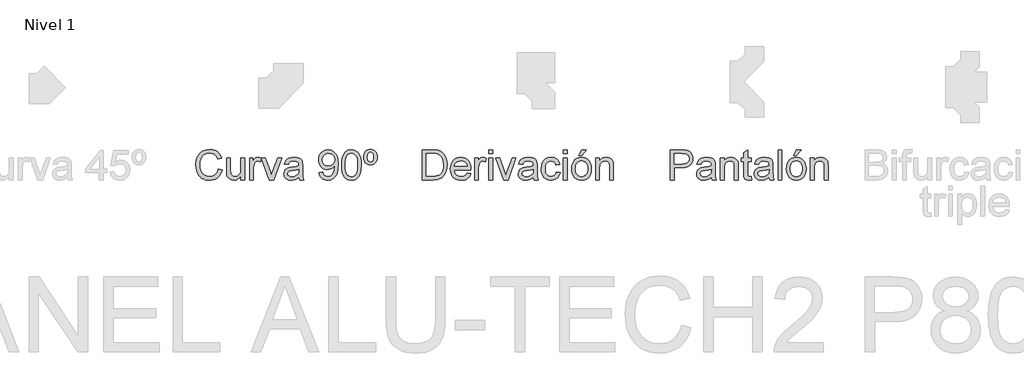
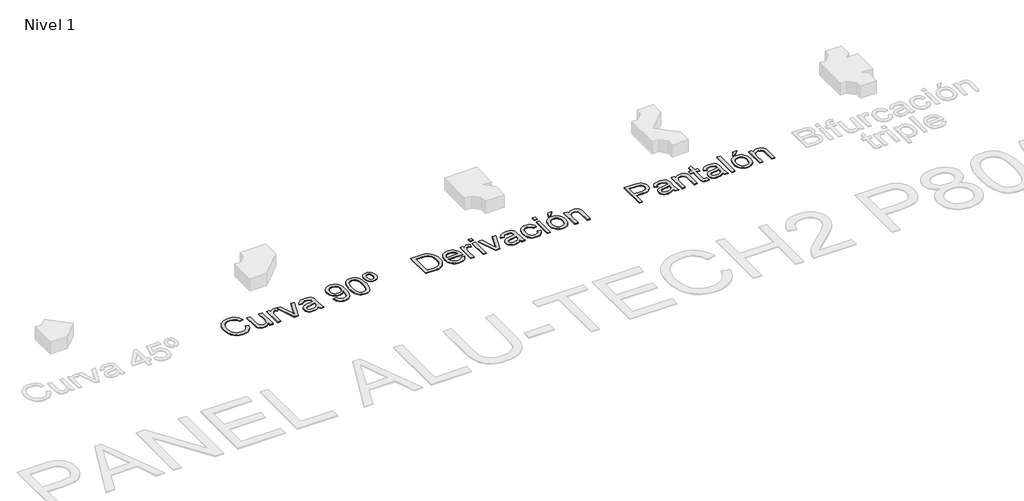
# One storey, part 4 of 7: 3 proxies.
"""IFC4 building model written with IfcOpenShell, lengths in millimetres."""

from ifc_helpers import new_model, si_unit, origin, origin_with_axes, place, context, project, spatial, polyline, outline, extrude, element, save

model = new_model("IFC4")

# Units and contexts
model_context = context("Model", 3, world=origin())
ifc_project = project(units=[si_unit("LENGTHUNIT", "METRE", prefix="MILLI")], contexts=[model_context])

# Site, building, storey
site = spatial("IfcSite", under=ifc_project)
building = spatial("IfcBuilding", under=site)
storey = spatial("IfcBuildingStorey", under=building, Name="Nivel 1", Elevation=0.0)

# Proxies
placement = place(None, origin())
element("IfcBuildingElementProxy", 1, Name="Texto de modelo 1", ObjectType="Texto de modelo 1", at=placement, inside=storey, context=model_context, shape_type="SweptSolid", body=[
    extrude(outline(polyline([(-7962.0094574, -873.4884877), (-7911.7813023, -886.4379339), (-7921.7202475, -917.674181), (-7934.957868, -944.9679594), (-7951.4941637, -968.319269), (-7971.3291346, -987.7281099), (-7994.0151909, -1002.9860157), (-8019.104743, -1013.8845198), (-8046.5977908, -1020.4236223), (-8076.4943343, -1022.6033231), (-8107.123576, -1020.9539855), (-8134.7545796, -1016.0059726), (-8159.3873448, -1007.7592846), (-8181.0218718, -996.2139213), (-8199.9555318, -981.5415611), (-8216.4856962, -963.9138821), (-8230.6123648, -943.3308845), (-8242.3355377, -919.7925682), (-8258.1176753, -867.9212068), (-8263.3783878, -812.3710256), (-8257.4309622, -753.7796865), (-8249.9966802, -727.4822552), (-8239.5886855, -703.1836494), (-8226.4399698, -681.2854736), (-8210.7835252, -662.1893324), (-8192.6193517, -645.8952257), (-8171.9474493, -632.4031535), (-8149.4698594, -621.8234805), (-8125.8886235, -614.2665712), (-8075.4152137, -608.2210437), (-8046.6866956, -610.1769497), (-8020.3432791, -616.0446675), (-7996.3849641, -625.8241972), (-7974.8117508, -639.5155388), (-7955.9792583, -656.7569416), (-7940.243106, -677.1866551), (-7927.6032938, -700.8046792), (-7918.0598217, -727.6110139), (-7968.2879767, -739.5794415), (-7985.7010579, -702.9506575), (-8009.4907602, -677.8243172), (-8039.9513894, -663.2929784), (-8077.377251, -658.4491988), (-8120.5175463, -663.8202759), (-8139.1998203, -670.5341223), (-8155.9568452, -679.9335073), (-8182.8490191, -705.0966358), (-8200.3479393, -737.6174041), (-8209.9496594, -774.3810782), (-8213.1502327, -812.2729237), (-8209.3610482, -858.675106), (-8197.9934945, -898.798769), (-8178.6183761, -931.1110709), (-8150.8064973, -954.0791701), (-8117.4641258, -967.8011685), (-8081.4975294, -972.375168), (-8059.6606673, -970.8178009), (-8039.5712447, -966.1456996), (-8021.2292615, -958.358864), (-8004.6347179, -947.4572942), (-7990.1800211, -933.4900411), (-7978.2575788, -916.5061557), (-7968.8673909, -896.5056379), (-7962.0094574, -873.4884877)])), origin_with_axes(), (0.0, 0.0, 1.0), 10.0),
    extrude(outline(polyline([(-7660.6405269, -1016.3248037), (-7660.6405269, -965.6061393), (-7678.8138975, -990.5424072), (-7699.9793749, -1008.3540271), (-7724.1369593, -1019.0409991), (-7751.2866505, -1022.6033231), (-7775.7508032, -1020.1017255), (-7798.5226987, -1012.5969328), (-7817.628037, -1001.3152183), (-7831.092518, -987.4828553), (-7840.1546778, -970.6829108), (-7846.0530525, -950.498452), (-7848.9961084, -903.8019641), (-7848.9961084, -721.2343926), (-7798.7679534, -721.2343926), (-7798.7679534, -880.1594145), (-7795.7267955, -931.3685883), (-7788.4059438, -948.4505756), (-7775.8611678, -961.43681), (-7758.9263333, -969.6405785), (-7738.4353062, -972.375168), (-7716.7670566, -969.5792648), (-7696.4967587, -961.1915554), (-7679.7826534, -947.9845917), (-7668.7829817, -930.7309262), (-7662.6761406, -907.1006393), (-7660.6405269, -874.763812), (-7660.6405269, -721.2343926), (-7610.4123718, -721.2343926), (-7610.4123718, -1016.3248037), (-7660.6405269, -1016.3248037)])), origin_with_axes(), (0.0, 0.0, 1.0), 10.0),
    extrude(outline(polyline([(-7280.5939004, -1016.3248037), (-7384.385674, -721.2343926), (-7331.214463, -721.2343926), (-7268.3311673, -898.013954), (-7249.3975072, -957.4636845), (-7230.8562547, -901.3494175), (-7167.5805515, -721.2343926), (-7114.4093405, -721.2343926), (-7216.9257898, -1016.3248037), (-7280.5939004, -1016.3248037)])), origin_with_axes(), (0.0, 0.0, 1.0), 10.0),
    extrude(outline(polyline([(-7541.3486586, -1016.3248037), (-7541.3486586, -721.2343926), (-7497.3990229, -721.2343926), (-7497.3990229, -764.8897227), (-7481.1631642, -739.5794415), (-7466.2026297, -724.6679579), (-7451.1930443, -717.3838944), (-7434.8100328, -714.9558732), (-7409.7940571, -718.8308969), (-7384.385674, -730.455968), (-7401.161093, -775.4847242), (-7418.8194287, -767.7592023), (-7436.4777645, -765.1840283), (-7451.4750872, -767.6611004), (-7464.8782545, -775.0923167), (-7475.7062479, -786.9135915), (-7482.9780487, -802.560839), (-7489.0848898, -830.6179725), (-7491.1205035, -861.2257545), (-7491.1205035, -1016.3248037), (-7541.3486586, -1016.3248037)])), origin_with_axes(), (0.0, 0.0, 1.0), 10.0),
    extrude(outline(polyline([(-6882.1041233, -978.6536874), (-6906.1022921, -999.2305537), (-6930.8116994, -1012.6950347), (-6956.796431, -1020.126251), (-6984.6205726, -1022.6033231), (-7006.9847322, -1021.113401), (-7026.5959082, -1016.6436348), (-7043.4541007, -1009.1940244), (-7057.5593095, -998.7645698), (-7068.6969369, -986.0174587), (-7076.652385, -971.6148785), (-7081.4256539, -955.5568295), (-7083.0167436, -937.8433114), (-7080.6132478, -917.0211905), (-7073.4027607, -898.1120559), (-7062.2804618, -881.9252481), (-7048.1415304, -869.2701075), (-7031.525527, -859.7051756), (-7012.9720117, -852.7889941), (-6969.5128853, -845.2351505), (-6918.1565588, -837.2888994), (-6882.3984288, -827.9692222), (-6882.1041233, -816.7856095), (-6885.562214, -794.3693333), (-6895.9364863, -779.7031044), (-6919.1375774, -768.8137973), (-6951.4621421, -765.1840283), (-6981.383211, -767.5997868), (-7002.2789083, -774.8470621), (-7016.5282043, -788.2502294), (-7026.5100691, -809.133664), (-7076.7382242, -802.8551446), (-7068.0194209, -775.3866223), (-7055.008661, -753.8042119), (-7036.4919339, -737.2985731), (-7011.255229, -725.0603654), (-6980.3899296, -717.4819963), (-6944.987419, -714.9558732), (-6911.0319108, -717.1876907), (-6884.1152115, -723.883143), (-6863.8203881, -733.9508469), (-6849.7305077, -746.2994192), (-6840.386305, -761.566522), (-6834.3285148, -780.3898175), (-6831.8759682, -824.3394531), (-6831.8759682, -886.8303414), (-6829.3253197, -974.0919506), (-6819.3189294, -1016.3248037), (-6869.5470845, -1016.3248037), (-6877.5914374, -998.8626717), (-6882.1041233, -978.6536874)]), holes=[polyline([(-6882.1041233, -878.1973772), (-6915.8511649, -886.5605613), (-6963.1362641, -893.5993701), (-7006.3501358, -901.7418249), (-7017.5950621, -907.3091058), (-7025.9214579, -914.9855768), (-7031.0718058, -924.1826266), (-7032.7885885, -934.3116442), (-7029.0484549, -949.2476532), (-7017.828054, -961.4858609), (-6999.3726406, -969.6528412), (-6973.9274692, -972.375168), (-6946.9494563, -969.3707984), (-6923.110703, -960.3576895), (-6903.7846355, -947.0771495), (-6890.3446799, -931.2704864), (-6884.3849916, -914.9855768), (-6882.3984288, -892.4221477), (-6882.1041233, -878.1973772)])]), origin_with_axes(), (0.0, 0.0, 1.0), 10.0),
    extrude(outline(polyline([(-6612.1277897, -915.8684935), (-6561.8996347, -909.5899742), (-6553.3157214, -938.1008288), (-6539.3362056, -957.5127354), (-6520.3044437, -968.6595599), (-6496.5637923, -972.375168), (-6475.2634248, -969.983935), (-6455.9005691, -962.8102361), (-6439.8118632, -951.6388862), (-6428.3339449, -937.2547002), (-6411.9018825, -893.5993701), (-6406.457229, -865.1988801), (-6404.6423444, -835.3268621), (-6404.93665, -825.5166755), (-6422.3374684, -846.7557294), (-6445.1093639, -863.5801993), (-6471.6091303, -874.5430828), (-6500.1935613, -878.1973772), (-6524.0537744, -875.9655598), (-6545.9948697, -869.2701075), (-6566.0168473, -858.1110203), (-6584.1197072, -842.4882982), (-6599.1200955, -823.2174131), (-6609.8346586, -801.1138365), (-6616.2633965, -776.1775686), (-6618.4063091, -748.4086093), (-6616.1591633, -719.7138137), (-6609.4177257, -693.9620741), (-6598.1819964, -671.1533904), (-6582.4519754, -651.2877626), (-6563.3374401, -635.1929253), (-6541.9481678, -623.696613), (-6518.2841584, -616.7988256), (-6492.3454121, -614.4995631), (-6454.8827623, -619.7480129), (-6420.7801013, -635.4933623), (-6392.2569839, -660.9507964), (-6371.5329649, -695.3355002), (-6358.9146124, -742.8658539), (-6354.708495, -807.7602379), (-6358.9023497, -876.5664337), (-6371.4839139, -929.7499075), (-6392.3428231, -969.7141549), (-6405.8348952, -985.6403796), (-6421.3687125, -998.8626717), (-6438.6315751, -1009.2492067), (-6457.3107834, -1016.6681602), (-6498.9182371, -1022.6033231), (-6521.4755347, -1020.8528179), (-6541.8623286, -1015.6013024), (-6560.0786188, -1006.8487766), (-6576.1244051, -994.5952405), (-6589.5950175, -979.1717879), (-6600.0857857, -960.9095125), (-6607.5967098, -939.8084144), (-6612.1277897, -915.8684935)]), holes=[polyline([(-6404.93665, -747.231387), (-6410.3567781, -713.1900397), (-6417.1319382, -699.112422), (-6426.6171623, -686.9968416), (-6438.3464666, -677.2541001), (-6451.8538672, -670.294999), (-6484.2029573, -664.7277182), (-6501.8122421, -666.2268373), (-6517.7537952, -670.7241947), (-6532.0276166, -678.2197903), (-6544.6337063, -688.7136243), (-6554.9344022, -701.5925598), (-6562.2920421, -716.2434602), (-6566.7066261, -732.6663256), (-6568.178154, -750.861156), (-6562.6108732, -781.8981336), (-6555.6517721, -795.0161924), (-6545.9090306, -806.5339646), (-6533.7873189, -815.9118898), (-6519.6913071, -822.6104078), (-6485.5763834, -827.9692222), (-6453.4848107, -822.6104078), (-6427.6472319, -806.5339646), (-6417.7113523, -794.7893319), (-6410.6142955, -780.9906914), (-6404.93665, -747.231387)])]), origin_with_axes(), (0.0, 0.0, 1.0), 10.0),
    extrude(outline(polyline([(-6310.7588593, -818.649545), (-6307.0677766, -754.3315095), (-6295.9945285, -703.0364966), (-6277.6494797, -663.9796914), (-6265.7914167, -648.7463112), (-6252.1429947, -636.3762791), (-6236.6582284, -626.8052158), (-6219.2911325, -619.9687421), (-6178.9099522, -614.4995631), (-6147.9588137, -617.7369247), (-6120.2450367, -627.4490093), (-6097.068471, -643.2556724), (-6079.7289663, -664.7767691), (-6066.6323673, -691.8283585), (-6056.1845186, -724.2264995), (-6049.3419135, -765.3679693), (-6047.0610451, -818.649545), (-6050.7153396, -882.5996984), (-6061.6782231, -933.772084), (-6079.9129073, -972.8656773), (-6091.7433791, -988.1450429), (-6105.3826041, -1000.5794543), (-6120.8857645, -1010.2148969), (-6138.3080427, -1017.0973559), (-6178.9099522, -1022.6033231), (-6206.5746782, -1020.2120901), (-6231.1001446, -1013.0383912), (-6252.4863512, -1001.0822264), (-6270.7332982, -984.3435956), (-6288.2444812, -954.0853015), (-6300.752469, -916.3835283), (-6308.2572617, -871.2382762), (-6310.7588593, -818.649545)]), holes=[polyline([(-6260.5307042, -818.5514431), (-6259.0591762, -862.2159702), (-6254.6445923, -897.5602329), (-6247.2869524, -924.5842311), (-6236.9862565, -943.2879649), (-6224.5273196, -956.0136163), (-6210.6949566, -965.1033672), (-6195.4891675, -970.5572178), (-6178.9099522, -972.375168), (-6162.330737, -970.5510864), (-6147.1249478, -965.0788418), (-6133.2925848, -955.958434), (-6120.8336479, -943.1898631), (-6110.532952, -924.4554724), (-6103.1753121, -897.4376056), (-6098.7607282, -862.1362625), (-6097.2892002, -818.5514431), (-6098.7116773, -776.0426785), (-6102.9791084, -741.3207496), (-6110.0914936, -714.3856562), (-6120.048833, -695.2373983), (-6132.2993034, -681.8894132), (-6146.291082, -672.3551382), (-6162.0241686, -666.6345732), (-6179.4985634, -664.7277182), (-6195.9919395, -666.4077126), (-6210.9402113, -671.4476959), (-6224.3433786, -679.8476682), (-6236.2014416, -691.6076293), (-6246.845494, -712.4542757), (-6254.4483885, -740.5604601), (-6259.0101253, -775.9261826), (-6260.5307042, -818.5514431)])]), origin_with_axes(), (0.0, 0.0, 1.0), 10.0),
    extrude(outline(polyline([(-5924.6299171, -608.2210437), (-5905.4448711, -609.9439577), (-5888.1114978, -615.1126998), (-5872.6297971, -623.7272698), (-5858.9997692, -635.7876679), (-5847.8836016, -650.8830924), (-5839.9434818, -668.6027419), (-5835.17941, -688.9466162), (-5833.5913861, -711.9147154), (-5835.1886071, -734.7969755), (-5839.98027, -755.0795362), (-5847.966375, -772.7623974), (-5859.146922, -787.8455592), (-5872.8045411, -799.9059573), (-5888.2218623, -808.5205274), (-5905.3988858, -813.6892694), (-5924.3356115, -815.4121834), (-5943.5298546, -813.7229919), (-5960.8908191, -808.6554174), (-5976.418505, -800.2094599), (-5990.1129123, -788.3851195), (-6001.2934593, -773.5441467), (-6009.2795642, -756.0482921), (-6014.0712272, -735.8975558), (-6015.6684482, -713.0919378), (-6014.0804243, -689.6088038), (-6009.3163524, -668.8970474), (-6001.3762327, -650.9566688), (-5990.2600651, -635.7876679), (-5976.6300372, -623.7272698), (-5961.1483365, -615.1126998), (-5943.8149632, -609.9439577), (-5924.6299171, -608.2210437)]), holes=[polyline([(-5924.6299171, -645.89216), (-5941.1968697, -649.754921), (-5954.2076296, -661.3432038), (-5962.6321272, -681.6870781), (-5965.4402931, -711.8166136), (-5962.5830763, -741.394326), (-5954.0114258, -761.8485649), (-5940.951615, -773.7679415), (-5924.6299171, -777.7410671), (-5908.185592, -773.7679415), (-5895.1503066, -761.8485649), (-5886.6522325, -741.0509694), (-5883.8195411, -710.4431874), (-5886.676758, -681.7116036), (-5895.2484085, -661.6375094), (-5908.3082193, -649.8284974), (-5924.6299171, -645.89216)])]), origin_with_axes(), (0.0, 0.0, 1.0), 10.0),
])
element("IfcBuildingElementProxy", 2, Name="Texto de modelo 1", ObjectType="Texto de modelo 1", at=placement, inside=storey, context=model_context, shape_type="SweptSolid", body=[
    extrude(outline(polyline([(-5229.3028413, -1016.3248037), (-5229.3028413, -614.4995631), (-5090.6849056, -614.4995631), (-5049.2613929, -615.9465656), (-5018.972442, -620.2875732), (-4986.9421829, -631.4466603), (-4959.915119, -649.0314197), (-4932.1277656, -679.6392017), (-4912.3357143, -717.7027255), (-4900.4899141, -762.486227), (-4896.541314, -813.2539424), (-4899.2145898, -856.3819749), (-4907.2344173, -894.3351341), (-4919.4480995, -926.647436), (-4934.7029396, -952.8528968), (-4952.2631735, -973.5401277), (-4971.3930373, -989.2977398), (-4993.3555924, -1000.9841245), (-5019.4139004, -1009.4576731), (-5049.6170122, -1014.6080211), (-5084.0139787, -1016.3248037), (-5229.3028413, -1016.3248037)]), holes=[polyline([(-5179.0746863, -966.0966486), (-5090.1943962, -966.0966486), (-5053.4307222, -964.2817641), (-5025.5452669, -958.8371106), (-5004.5024168, -950.0815191), (-4988.2665581, -938.3338207), (-4970.8166888, -916.5919948), (-4957.707827, -888.4490222), (-4949.5040585, -853.7822755), (-4946.769469, -812.4691274), (-4952.1282834, -757.7282866), (-4958.8268014, -735.7289432), (-4968.2047266, -717.310318), (-4991.9576408, -689.5474901), (-5020.3458681, -672.7720711), (-5049.2368674, -666.7388064), (-5091.5678224, -664.7277182), (-5179.0746863, -664.7277182), (-5179.0746863, -966.0966486)])]), origin_with_axes(), (0.0, 0.0, 1.0), 10.0),
    extrude(outline(polyline([(-4627.1535916, -928.4255323), (-4577.9064552, -934.7040517), (-4585.4572332, -954.428658), (-4595.6506301, -971.8110823), (-4608.4866461, -986.8513245), (-4623.965281, -999.5493847), (-4641.9271194, -1009.6354827), (-4662.2127458, -1016.8398385), (-4709.7553623, -1022.6033231), (-4740.9210986, -1020.1170539), (-4768.6900579, -1012.6582465), (-4793.0622401, -1000.2269007), (-4814.0376452, -982.8230167), (-4830.9050347, -960.9309723), (-4842.95317, -935.0351455), (-4850.1820512, -905.1355363), (-4852.5916783, -871.2321448), (-4850.1575257, -836.179122), (-4842.8550681, -805.2831658), (-4830.6843055, -778.5442761), (-4813.6452377, -755.962453), (-4792.7250149, -738.0220743), (-4768.9107871, -725.2075182), (-4742.2025543, -717.5187845), (-4712.6003164, -714.9558732), (-4683.951506, -717.5126531), (-4658.0434165, -725.1829927), (-4634.8760479, -737.966892), (-4614.4494001, -755.8643511), (-4597.7751486, -778.3971233), (-4585.864969, -805.0869621), (-4578.7188613, -835.9338674), (-4576.3368254, -870.9378392), (-4576.631131, -884.4758966), (-4802.3635232, -884.4758966), (-4799.4541898, -904.519334), (-4793.6692454, -922.0734365), (-4785.0086901, -937.1382042), (-4773.4725239, -949.7136371), (-4759.6984088, -959.6280569), (-4744.3240071, -966.7097853), (-4708.7743436, -972.375168), (-4682.0415853, -969.7509431), (-4659.5272072, -961.8782684), (-4641.2312093, -948.2666346), (-4627.1535916, -928.4255323)]), holes=[polyline([(-4802.3635232, -834.2477415), (-4626.5649804, -834.2477415), (-4633.3585346, -807.711187), (-4646.6758629, -788.728476), (-4660.3733358, -778.4277801), (-4675.9592697, -771.0701402), (-4693.4336644, -766.6555563), (-4712.7965201, -765.1840283), (-4746.6539264, -769.8806551), (-4774.6497462, -783.9705355), (-4794.1107038, -805.9330907), (-4802.3635232, -834.2477415)])]), origin_with_axes(), (0.0, 0.0, 1.0), 10.0),
    extrude(outline(polyline([(-4526.1086703, -1016.3248037), (-4526.1086703, -721.2343926), (-4482.1590346, -721.2343926), (-4482.1590346, -764.8897227), (-4465.9231759, -739.5794415), (-4450.9626414, -724.6679579), (-4435.953056, -717.3838944), (-4419.5700445, -714.9558732), (-4394.5540688, -718.8308969), (-4369.1456857, -730.455968), (-4385.9211047, -775.4847242), (-4403.5794404, -767.7592023), (-4421.2377762, -765.1840283), (-4436.2350989, -767.6611004), (-4449.6382662, -775.0923167), (-4460.4662596, -786.9135915), (-4467.7380604, -802.560839), (-4473.8449015, -830.6179725), (-4475.8805152, -861.2257545), (-4475.8805152, -1016.3248037), (-4526.1086703, -1016.3248037)])), origin_with_axes(), (0.0, 0.0, 1.0), 10.0),
    extrude(outline(polyline([(-4337.7530888, -664.7277182), (-4337.7530888, -614.4995631), (-4287.5249337, -614.4995631), (-4287.5249337, -664.7277182), (-4337.7530888, -664.7277182)])), origin_with_axes(), (0.0, 0.0, 1.0), 10.0),
    extrude(outline(polyline([(-4337.7530888, -1016.3248037), (-4337.7530888, -721.2343926), (-4287.5249337, -721.2343926), (-4287.5249337, -1016.3248037), (-4337.7530888, -1016.3248037)])), origin_with_axes(), (0.0, 0.0, 1.0), 10.0),
    extrude(outline(polyline([(-4139.7835244, -1016.3248037), (-4243.575298, -721.2343926), (-4190.404087, -721.2343926), (-4127.5207913, -898.013954), (-4108.5871312, -957.4636845), (-4090.0458787, -901.3494175), (-4026.7701755, -721.2343926), (-3973.5989645, -721.2343926), (-4076.1154138, -1016.3248037), (-4139.7835244, -1016.3248037)])), origin_with_axes(), (0.0, 0.0, 1.0), 10.0),
    extrude(outline(polyline([(-3741.2937473, -978.6536874), (-3765.2919161, -999.2305537), (-3790.0013234, -1012.6950347), (-3815.986055, -1020.126251), (-3843.8101966, -1022.6033231), (-3866.1743562, -1021.113401), (-3885.7855322, -1016.6436348), (-3902.6437247, -1009.1940244), (-3916.7489335, -998.7645698), (-3927.8865609, -986.0174587), (-3935.842009, -971.6148785), (-3940.6152779, -955.5568295), (-3942.2063676, -937.8433114), (-3939.8028719, -917.0211905), (-3932.5923847, -898.1120559), (-3921.4700858, -881.9252481), (-3907.3311544, -869.2701075), (-3890.715151, -859.7051756), (-3872.1616357, -852.7889941), (-3828.7025093, -845.2351505), (-3777.3461828, -837.2888994), (-3741.5880529, -827.9692222), (-3741.2937473, -816.7856095), (-3744.751838, -794.3693333), (-3755.1261103, -779.7031044), (-3778.3272014, -768.8137973), (-3810.6517661, -765.1840283), (-3840.572835, -767.5997868), (-3861.4685323, -774.8470621), (-3875.7178283, -788.2502294), (-3885.6996931, -809.133664), (-3935.9278482, -802.8551446), (-3927.2090449, -775.3866223), (-3914.198285, -753.8042119), (-3895.6815579, -737.2985731), (-3870.444853, -725.0603654), (-3839.5795536, -717.4819963), (-3804.177043, -714.9558732), (-3770.2215348, -717.1876907), (-3743.3048355, -723.883143), (-3723.0100121, -733.9508469), (-3708.9201317, -746.2994192), (-3699.575929, -761.566522), (-3693.5181388, -780.3898175), (-3691.0655922, -824.3394531), (-3691.0655922, -886.8303414), (-3688.5149437, -974.0919506), (-3678.5085534, -1016.3248037), (-3728.7367085, -1016.3248037), (-3736.7810614, -998.8626717), (-3741.2937473, -978.6536874)]), holes=[polyline([(-3741.2937473, -878.1973772), (-3775.0407889, -886.5605613), (-3822.3258881, -893.5993701), (-3865.5397598, -901.7418249), (-3876.7846861, -907.3091058), (-3885.1110819, -914.9855768), (-3890.2614298, -924.1826266), (-3891.9782125, -934.3116442), (-3888.2380789, -949.2476532), (-3877.017678, -961.4858609), (-3858.5622646, -969.6528412), (-3833.1170933, -972.375168), (-3806.1390803, -969.3707984), (-3782.300327, -960.3576895), (-3762.9742595, -947.0771495), (-3749.5343039, -931.2704864), (-3743.5746156, -914.9855768), (-3741.5880529, -892.4221477), (-3741.2937473, -878.1973772)])]), origin_with_axes(), (0.0, 0.0, 1.0), 10.0),
    extrude(outline(polyline([(-3433.6462974, -909.5899742), (-3383.4181423, -915.8684935), (-3388.88119, -939.5692911), (-3397.4221836, -960.5416305), (-3409.0411233, -978.7855118), (-3423.738009, -994.3009349), (-3440.8935727, -1006.6832297), (-3459.8885464, -1015.527726), (-3480.7229301, -1020.8344238), (-3503.3967237, -1022.6033231), (-3531.5672875, -1020.135448), (-3556.8254521, -1012.7318229), (-3579.1712177, -1000.3924476), (-3598.6045841, -983.1173223), (-3614.334605, -961.2314092), (-3625.5703343, -935.059671), (-3632.3117719, -904.6021074), (-3634.5589177, -869.8587187), (-3630.7206822, -825.1610563), (-3619.2059758, -786.4230822), (-3599.8308574, -755.1408499), (-3572.411386, -732.8104127), (-3539.6085748, -719.4195081), (-3504.0834368, -714.9558732), (-3481.7989849, -716.4887149), (-3461.6421173, -721.0872398), (-3443.6128338, -728.7514481), (-3427.7111346, -739.4813396), (-3414.2067997, -753.0316597), (-3403.3696092, -769.1571539), (-3395.1995632, -787.857822), (-3389.6966617, -809.133664), (-3439.9248168, -815.4121834), (-3449.0360276, -793.4986792), (-3463.2240098, -777.790118), (-3481.7039487, -768.3355507), (-3503.6910293, -765.1840283), (-3520.7576882, -766.7352641), (-3536.150484, -771.3889713), (-3549.8694167, -779.14515), (-3561.9144864, -790.0038003), (-3571.7216073, -804.216308), (-3578.7266936, -822.0340593), (-3582.9297454, -843.4570542), (-3584.3307626, -868.4852926), (-3578.8493209, -915.5619252), (-3571.9975188, -933.4992382), (-3562.4049957, -947.7025489), (-3550.5990494, -958.4968197), (-3537.1069772, -966.2070132), (-3521.9287792, -970.8331293), (-3505.0644554, -972.375168), (-3479.0551984, -968.5246698), (-3457.7303054, -956.9731751), (-3442.2179479, -937.4263785), (-3433.6462974, -909.5899742)])), origin_with_axes(), (0.0, 0.0, 1.0), 10.0),
    extrude(outline(polyline([(-3339.4685067, -1016.3248037), (-3339.4685067, -721.2343926), (-3289.2403516, -721.2343926), (-3289.2403516, -1016.3248037), (-3339.4685067, -1016.3248037)])), origin_with_axes(), (0.0, 0.0, 1.0), 10.0),
    extrude(outline(polyline([(-3339.4685067, -664.7277182), (-3339.4685067, -614.4995631), (-3289.2403516, -614.4995631), (-3289.2403516, -664.7277182), (-3339.4685067, -664.7277182)])), origin_with_axes(), (0.0, 0.0, 1.0), 10.0),
    extrude(outline(polyline([(-3226.4551577, -868.7795982), (-3223.7389623, -830.5627902), (-3215.5903761, -797.6312203), (-3202.0093992, -769.9848884), (-3182.9960314, -747.6237944), (-3163.8539049, -733.3315789), (-3142.7252156, -723.1228535), (-3119.6099636, -716.9976183), (-3094.5081488, -714.9558732), (-3066.7974375, -717.4421424), (-3041.741608, -724.9009498), (-3019.3406601, -737.3322956), (-2999.594594, -754.7361797), (-2983.478297, -776.5239908), (-2971.9666562, -802.1071179), (-2965.0596717, -831.4855609), (-2962.7573436, -864.6593198), (-2966.828571, -915.4025097), (-2979.0422532, -954.0301192), (-2999.0427711, -982.9579067), (-3026.4745052, -1004.6016308), (-3059.0565872, -1018.1029), (-3094.5081488, -1022.6033231), (-3122.6235303, -1020.126251), (-3147.9123518, -1012.6950347), (-3170.3746133, -1000.3096742), (-3190.0103147, -982.9701695), (-3205.9549336, -960.9708262), (-3217.343947, -934.6059498), (-3224.1773551, -903.8755405), (-3226.4551577, -868.7795982)]), holes=[polyline([(-3176.2270027, -868.6814963), (-3174.7738688, -893.0444814), (-3170.4144671, -914.1394482), (-3163.1487977, -931.9663965), (-3152.9768606, -946.5253265), (-3140.6037628, -957.8346321), (-3126.7346116, -965.9127076), (-3111.3694069, -970.7595529), (-3094.5081488, -972.375168), (-3077.7327298, -970.7503559), (-3062.4288388, -965.8759194), (-3048.5964758, -957.7518587), (-3036.2356408, -946.3781737), (-3026.0637036, -931.6751566), (-3018.7980342, -913.5630997), (-3014.4386326, -892.042003), (-3012.9854987, -867.1118665), (-3014.4478296, -843.5214335), (-3018.8348224, -822.9782898), (-3026.146477, -805.4824352), (-3036.3827936, -791.0338698), (-3048.7896139, -779.7245642), (-3062.6127798, -771.6464887), (-3077.8522915, -766.7996434), (-3094.5081488, -765.1840283), (-3111.3694069, -766.793512), (-3126.7346116, -771.6219632), (-3140.6037628, -779.6693819), (-3152.9768606, -790.935768), (-3163.1487977, -805.4517784), (-3170.4144671, -823.2480699), (-3174.7738688, -844.3246425), (-3176.2270027, -868.6814963)])]), origin_with_axes(), (0.0, 0.0, 1.0), 10.0),
    extrude(outline(polyline([(-3132.277367, -689.8417957), (-3094.6062507, -614.4995631), (-3031.8210568, -614.4995631), (-3094.6062507, -689.8417957), (-3132.277367, -689.8417957)])), origin_with_axes(), (0.0, 0.0, 1.0), 10.0),
    extrude(outline(polyline([(-2906.2506691, -1016.3248037), (-2906.2506691, -721.2343926), (-2856.0225141, -721.2343926), (-2856.0225141, -762.4371761), (-2838.5726448, -741.6641061), (-2817.6156338, -726.826199), (-2793.1514811, -717.9234547), (-2765.1801867, -714.9558732), (-2740.4217284, -717.3471062), (-2717.7479348, -724.5208051), (-2698.8388003, -735.5817904), (-2685.3743192, -749.6348827), (-2676.238583, -766.6432936), (-2670.3156829, -786.570235), (-2667.6669325, -835.1306583), (-2667.6669325, -1016.3248037), (-2717.8950876, -1016.3248037), (-2717.8950876, -841.899687), (-2719.3420901, -815.9272182), (-2723.6830977, -797.459542), (-2731.6906624, -784.2280529), (-2744.1373366, -773.9641453), (-2760.0911525, -767.3790576), (-2778.6201423, -765.1840283), (-2808.0384392, -770.1136471), (-2833.1157285, -784.9025033), (-2843.1374472, -796.9751641), (-2850.2958177, -813.4746716), (-2854.59084, -834.4010257), (-2856.0225141, -859.7542265), (-2856.0225141, -1016.3248037), (-2906.2506691, -1016.3248037)])), origin_with_axes(), (0.0, 0.0, 1.0), 10.0),
])
element("IfcBuildingElementProxy", 3, Name="Texto de modelo 1", ObjectType="Texto de modelo 1", at=placement, inside=storey, context=model_context, shape_type="SweptSolid", body=[
    extrude(outline(polyline([(-1906.4154032, -1016.3248037), (-1906.4154032, -614.4995631), (-1757.4967716, -614.4995631), (-1697.4584299, -618.3255358), (-1670.6888834, -625.4747093), (-1648.6527519, -637.1120431), (-1630.908577, -653.7648347), (-1617.0149003, -675.9603818), (-1608.0385796, -702.1413171), (-1605.0464728, -730.7502736), (-1607.066758, -755.4167613), (-1613.1276139, -778.1089491), (-1623.2290404, -798.8268368), (-1637.3710374, -817.5704244), (-1656.7860097, -833.1073074), (-1682.7063619, -844.2050809), (-1715.1320941, -850.863745), (-1754.0632063, -853.0832997), (-1856.1872481, -853.0832997), (-1856.1872481, -1016.3248037), (-1906.4154032, -1016.3248037)]), holes=[polyline([(-1856.1872481, -802.8551446), (-1751.1201503, -802.8551446), (-1706.5819034, -798.244357), (-1689.9781627, -792.4808724), (-1677.1513438, -784.4119939), (-1667.5802806, -774.2523195), (-1660.7438068, -762.2164469), (-1655.2746278, -732.5161071), (-1658.4997267, -709.9526781), (-1668.1750231, -690.9209162), (-1683.0987694, -676.5980439), (-1702.0692176, -668.1612835), (-1752.2973727, -664.7277182), (-1856.1872481, -664.7277182), (-1856.1872481, -802.8551446)])]), origin_with_axes(), (0.0, 0.0, 1.0), 10.0),
    extrude(outline(polyline([(-1353.9056974, -978.6536874), (-1377.9038662, -999.2305537), (-1402.6132735, -1012.6950347), (-1428.5980051, -1020.126251), (-1456.4221467, -1022.6033231), (-1478.7863063, -1021.113401), (-1498.3974824, -1016.6436348), (-1515.2556748, -1009.1940244), (-1529.3608836, -998.7645698), (-1540.498511, -986.0174587), (-1548.4539592, -971.6148785), (-1553.227228, -955.5568295), (-1554.8183177, -937.8433114), (-1552.414822, -917.0211905), (-1545.2043349, -898.1120559), (-1534.0820359, -881.9252481), (-1519.9431045, -869.2701075), (-1503.3271011, -859.7051756), (-1484.7735858, -852.7889941), (-1441.3144594, -845.2351505), (-1389.9581329, -837.2888994), (-1354.200003, -827.9692222), (-1353.9056974, -816.7856095), (-1357.3637881, -794.3693333), (-1367.7380604, -779.7031044), (-1390.9391516, -768.8137973), (-1423.2637162, -765.1840283), (-1453.1847851, -767.5997868), (-1474.0804825, -774.8470621), (-1488.3297784, -788.2502294), (-1498.3116432, -809.133664), (-1548.5397983, -802.8551446), (-1539.820995, -775.3866223), (-1526.8102351, -753.8042119), (-1508.293508, -737.2985731), (-1483.0568032, -725.0603654), (-1452.1915038, -717.4819963), (-1416.7889931, -714.9558732), (-1382.8334849, -717.1876907), (-1355.9167856, -723.883143), (-1335.6219622, -733.9508469), (-1321.5320818, -746.2994192), (-1312.1878791, -761.566522), (-1306.1300889, -780.3898175), (-1303.6775423, -824.3394531), (-1303.6775423, -886.8303414), (-1301.1268938, -974.0919506), (-1291.1205035, -1016.3248037), (-1341.3486586, -1016.3248037), (-1349.3930116, -998.8626717), (-1353.9056974, -978.6536874)]), holes=[polyline([(-1353.9056974, -878.1973772), (-1387.6527391, -886.5605613), (-1434.9378382, -893.5993701), (-1478.1517099, -901.7418249), (-1489.3966362, -907.3091058), (-1497.723032, -914.9855768), (-1502.87338, -924.1826266), (-1504.5901626, -934.3116442), (-1500.850029, -949.2476532), (-1489.6296281, -961.4858609), (-1471.1742147, -969.6528412), (-1445.7290434, -972.375168), (-1418.7510304, -969.3707984), (-1394.9122771, -960.3576895), (-1375.5862096, -947.0771495), (-1362.1462541, -931.2704864), (-1356.1865657, -914.9855768), (-1354.200003, -892.4221477), (-1353.9056974, -878.1973772)])]), origin_with_axes(), (0.0, 0.0, 1.0), 10.0),
    extrude(outline(polyline([(-1234.6138291, -1016.3248037), (-1234.6138291, -721.2343926), (-1184.385674, -721.2343926), (-1184.385674, -762.4371761), (-1166.9358047, -741.6641061), (-1145.9787937, -726.826199), (-1121.514641, -717.9234547), (-1093.5433467, -714.9558732), (-1068.7848884, -717.3471062), (-1046.1110947, -724.5208051), (-1027.2019602, -735.5817904), (-1013.7374792, -749.6348827), (-1004.601743, -766.6432936), (-998.6788428, -786.570235), (-996.0300925, -835.1306583), (-996.0300925, -1016.3248037), (-1046.2582475, -1016.3248037), (-1046.2582475, -841.899687), (-1047.7052501, -815.9272182), (-1052.0462576, -797.459542), (-1060.0538224, -784.2280529), (-1072.5004965, -773.9641453), (-1088.4543124, -767.3790576), (-1106.9833022, -765.1840283), (-1136.4015991, -770.1136471), (-1161.4788884, -784.9025033), (-1171.5006071, -796.9751641), (-1178.6589776, -813.4746716), (-1182.9539999, -834.4010257), (-1184.385674, -859.7542265), (-1184.385674, -1016.3248037), (-1234.6138291, -1016.3248037)])), origin_with_axes(), (0.0, 0.0, 1.0), 10.0),
    extrude(outline(polyline([(-820.2315497, -974.4353072), (-813.9530303, -1017.7963317), (-851.5260448, -1022.6033231), (-875.6345782, -1020.5186584), (-893.611745, -1014.2646645), (-906.3159366, -1004.6261562), (-914.6055442, -992.3879485), (-919.1672809, -971.3696239), (-920.6878599, -935.3907648), (-920.6878599, -771.4625477), (-958.3589762, -771.4625477), (-958.3589762, -721.2343926), (-920.6878599, -721.2343926), (-920.6878599, -649.521929), (-870.4597048, -619.9932676), (-870.4597048, -721.2343926), (-820.2315497, -721.2343926), (-820.2315497, -771.4625477), (-870.4597048, -771.4625477), (-870.4597048, -933.9192368), (-867.8109544, -959.8181292), (-859.2270412, -968.9906536), (-842.1082657, -972.375168), (-820.2315497, -974.4353072)])), origin_with_axes(), (0.0, 0.0, 1.0), 10.0),
    extrude(outline(polyline([(-581.6478131, -978.6536874), (-605.6459819, -999.2305537), (-630.3553893, -1012.6950347), (-656.3401209, -1020.126251), (-684.1642624, -1022.6033231), (-706.528422, -1021.113401), (-726.1395981, -1016.6436348), (-742.9977905, -1009.1940244), (-757.1029993, -998.7645698), (-768.2406267, -986.0174587), (-776.1960749, -971.6148785), (-780.9693438, -955.5568295), (-782.5604334, -937.8433114), (-780.1569377, -917.0211905), (-772.9464506, -898.1120559), (-761.8241516, -881.9252481), (-747.6852203, -869.2701075), (-731.0692168, -859.7051756), (-712.5157015, -852.7889941), (-669.0565752, -845.2351505), (-617.7002486, -837.2888994), (-581.9421187, -827.9692222), (-581.6478131, -816.7856095), (-585.1059039, -794.3693333), (-595.4801761, -779.7031044), (-618.6812673, -768.8137973), (-651.0058319, -765.1840283), (-680.9269009, -767.5997868), (-701.8225982, -774.8470621), (-716.0718941, -788.2502294), (-726.0537589, -809.133664), (-776.281914, -802.8551446), (-767.5631107, -775.3866223), (-754.5523508, -753.8042119), (-736.0356237, -737.2985731), (-710.7989189, -725.0603654), (-679.9336195, -717.4819963), (-644.5311088, -714.9558732), (-610.5756007, -717.1876907), (-583.6589013, -723.883143), (-563.3640779, -733.9508469), (-549.2741975, -746.2994192), (-539.9299948, -761.566522), (-533.8722047, -780.3898175), (-531.419658, -824.3394531), (-531.419658, -886.8303414), (-528.8690095, -974.0919506), (-518.8626193, -1016.3248037), (-569.0907743, -1016.3248037), (-577.1351273, -998.8626717), (-581.6478131, -978.6536874)]), holes=[polyline([(-581.6478131, -878.1973772), (-615.3948548, -886.5605613), (-662.6799539, -893.5993701), (-705.8938256, -901.7418249), (-717.1387519, -907.3091058), (-725.4651478, -914.9855768), (-730.6154957, -924.1826266), (-732.3322783, -934.3116442), (-728.5921447, -949.2476532), (-717.3717439, -961.4858609), (-698.9163304, -969.6528412), (-673.4711591, -972.375168), (-646.4931461, -969.3707984), (-622.6543928, -960.3576895), (-603.3283254, -947.0771495), (-589.8883698, -931.2704864), (-583.9286815, -914.9855768), (-581.9421187, -892.4221477), (-581.6478131, -878.1973772)])]), origin_with_axes(), (0.0, 0.0, 1.0), 10.0),
    extrude(outline(polyline([(-462.3559448, -1016.3248037), (-462.3559448, -614.4995631), (-412.1277897, -614.4995631), (-412.1277897, -1016.3248037), (-462.3559448, -1016.3248037)])), origin_with_axes(), (0.0, 0.0, 1.0), 10.0),
    extrude(outline(polyline([(-255.1648051, -689.8417957), (-217.4936888, -614.4995631), (-154.708495, -614.4995631), (-217.4936888, -689.8417957), (-255.1648051, -689.8417957)])), origin_with_axes(), (0.0, 0.0, 1.0), 10.0),
    extrude(outline(polyline([(-349.3425959, -868.7795982), (-346.6264005, -830.5627902), (-338.4778143, -797.6312203), (-324.8968373, -769.9848884), (-305.8834695, -747.6237944), (-286.741343, -733.3315789), (-265.6126538, -723.1228535), (-242.4974017, -716.9976183), (-217.3955869, -714.9558732), (-189.6848757, -717.4421424), (-164.6290461, -724.9009498), (-142.2280983, -737.3322956), (-122.4820322, -754.7361797), (-106.3657351, -776.5239908), (-94.8540944, -802.1071179), (-87.9471099, -831.4855609), (-85.6447817, -864.6593198), (-89.7160092, -915.4025097), (-101.9296914, -954.0301192), (-121.9302092, -982.9579067), (-149.3619433, -1004.6016308), (-181.9440253, -1018.1029), (-217.3955869, -1022.6033231), (-245.5109684, -1020.126251), (-270.7997899, -1012.6950347), (-293.2620514, -1000.3096742), (-312.8977529, -982.9701695), (-328.8423717, -960.9708262), (-340.2313851, -934.6059498), (-347.0647932, -903.8755405), (-349.3425959, -868.7795982)]), holes=[polyline([(-299.1144408, -868.6814963), (-297.6613069, -893.0444814), (-293.3019053, -914.1394482), (-286.0362359, -931.9663965), (-275.8642987, -946.5253265), (-263.4912009, -957.8346321), (-249.6220497, -965.9127076), (-234.2568451, -970.7595529), (-217.3955869, -972.375168), (-200.620168, -970.7503559), (-185.316277, -965.8759194), (-171.4839139, -957.7518587), (-159.1230789, -946.3781737), (-148.9511417, -931.6751566), (-141.6854723, -913.5630997), (-137.3260707, -892.042003), (-135.8729368, -867.1118665), (-137.3352677, -843.5214335), (-141.7222605, -822.9782898), (-149.0339152, -805.4824352), (-159.2702317, -791.0338698), (-171.677052, -779.7245642), (-185.500218, -771.6464887), (-200.7397296, -766.7996434), (-217.3955869, -765.1840283), (-234.2568451, -766.793512), (-249.6220497, -771.6219632), (-263.4912009, -779.6693819), (-275.8642987, -790.935768), (-286.0362359, -805.4517784), (-293.3019053, -823.2480699), (-297.6613069, -844.3246425), (-299.1144408, -868.6814963)])]), origin_with_axes(), (0.0, 0.0, 1.0), 10.0),
    extrude(outline(polyline([(-29.1381073, -1016.3248037), (-29.1381073, -721.2343926), (21.0900478, -721.2343926), (21.0900478, -762.4371761), (38.5399171, -741.6641061), (59.4969281, -726.826199), (83.9610808, -717.9234547), (111.9323751, -714.9558732), (136.6908334, -717.3471062), (159.364627, -724.5208051), (178.2737616, -735.5817904), (191.7382426, -749.6348827), (200.8739788, -766.6432936), (206.796879, -786.570235), (209.4456293, -835.1306583), (209.4456293, -1016.3248037), (159.2174743, -1016.3248037), (159.2174743, -841.899687), (157.7704717, -815.9272182), (153.4294642, -797.459542), (145.4218994, -784.2280529), (132.9752253, -773.9641453), (117.0214094, -767.3790576), (98.4924196, -765.1840283), (69.0741227, -770.1136471), (43.9968334, -784.9025033), (33.9751147, -796.9751641), (26.8167442, -813.4746716), (22.5217219, -834.4010257), (21.0900478, -859.7542265), (21.0900478, -1016.3248037), (-29.1381073, -1016.3248037)])), origin_with_axes(), (0.0, 0.0, 1.0), 10.0),
])

save(model, "model.ifc")
